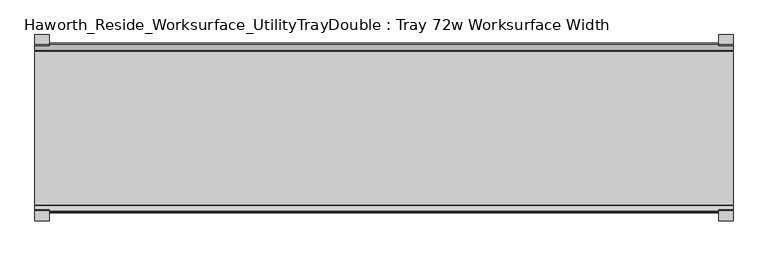
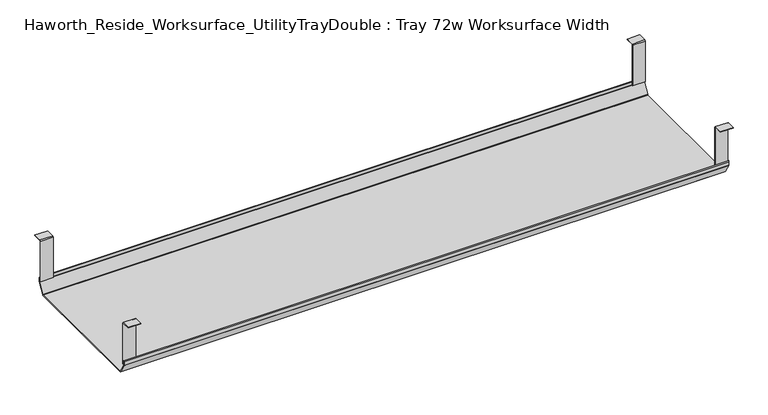
"""IFC4 building model written with IfcOpenShell, lengths in millimetres: furniture geometry, Haworth_Reside_Worksurface_UtilityTrayDouble : Tray 72w Worksurface Width."""

from ifc_helpers import new_model, si_unit, frame, origin, place, context, project, spatial, polyline, outline, extrude, source, transform, mapped, element, save


def haworth_reside_worksurface_utilitytraydouble_tray_72w_19a8be49(model_context):
    return source(origin(), model_context, "Body", "SweptSolid", [
        extrude(outline(polyline([(-721.2228768, 731.8375), (-718.8278791, 729.4425023), (-718.8278791, 621.6649855), (-720.2248778, 621.6649855), (-720.2248778, 729.0734626), (-721.7824239, 730.6310087), (-743.0086797, 730.6310087), (-743.0086797, 731.8375), (-721.2228768, 731.8375)])), frame((946.0991976, 0.0, 0.0), z_axis=(1.0, 0.0, 0.0), x_axis=(0.0, 1.0, 0.0)), (0.0, 0.0, 1.0), 31.8008024),
        extrude(outline(polyline([(-357.7340763, 731.8375), (-335.9482734, 731.8375), (-335.9482734, 730.6310087), (-357.1745292, 730.6310087), (-358.7320753, 729.0734626), (-358.7320753, 621.6649855), (-360.129074, 621.6649855), (-360.129074, 729.4425023), (-357.7340763, 731.8375)])), frame((946.0991976, 0.0, 0.0), z_axis=(1.0, 0.0, 0.0), x_axis=(0.0, 1.0, 0.0)), (0.0, 0.0, 1.0), 31.8008024),
        extrude(outline(polyline([(-721.2228768, 731.8375), (-718.8278791, 729.4425023), (-718.8278791, 621.6649855), (-720.2248778, 621.6649855), (-720.2248778, 729.0734626), (-721.7824239, 730.6310087), (-743.0086797, 730.6310087), (-743.0086797, 731.8375), (-721.2228768, 731.8375)])), frame((-546.1, 0.0, 0.0), z_axis=(1.0, 0.0, 0.0), x_axis=(0.0, 1.0, 0.0)), (0.0, 0.0, 1.0), 31.8008024),
        extrude(outline(polyline([(-357.7340763, 731.8375), (-335.9482734, 731.8375), (-335.9482734, 730.6310087), (-357.1745292, 730.6310087), (-358.7320753, 729.0734626), (-358.7320753, 621.6649855), (-360.129074, 621.6649855), (-360.129074, 729.4425023), (-357.7340763, 731.8375)])), frame((-546.1, 0.0, 0.0), z_axis=(1.0, 0.0, 0.0), x_axis=(0.0, 1.0, 0.0)), (0.0, 0.0, 1.0), 31.8008024),
        extrude(outline(polyline([(-725.025475, 629.0309966), (-722.993477, 631.0629947), (-722.432211, 630.5017287), (-724.231725, 628.7022146), (-724.231725, 620.8042827), (-724.0067745, 619.9647622), (-708.9140802, 593.8234395), (-707.4787101, 592.9947272), (-371.478243, 592.9947272), (-370.0428729, 593.8234395), (-354.9501786, 619.9647622), (-354.7252281, 620.8042827), (-354.7252281, 628.7022146), (-356.5247421, 630.5017287), (-355.9634761, 631.0629947), (-353.9314781, 629.0309966), (-353.9314781, 620.6997828), (-354.2105217, 619.6583856), (-369.5353957, 593.1149156), (-371.1183815, 592.2009772), (-707.691395, 592.2009772), (-709.4951457, 593.2423744), (-724.7464314, 619.6583856), (-725.025475, 620.6997828), (-725.025475, 629.0309966)])), frame((-546.1, 0.0, 0.0), z_axis=(1.0, 0.0, 0.0), x_axis=(0.0, 1.0, 0.0)), (0.0, 0.0, 1.0), 1524.0),
    ])


if __name__ == "__main__":
    model = new_model("IFC4")
    model_context = context("Model", 3, world=origin())
    ifc_project = project(units=[si_unit("LENGTHUNIT", "METRE", prefix="MILLI")], contexts=[model_context])
    site = spatial("IfcSite", under=ifc_project)
    building = spatial("IfcBuilding", under=site)
    placement = place(None, origin())
    haworth_reside_worksurface_utilitytraydouble_tray_72w_shape = haworth_reside_worksurface_utilitytraydouble_tray_72w_19a8be49(model_context)
    element("IfcFurniture", 1, ObjectType="Haworth_Reside_Worksurface_UtilityTrayDouble : Tray 72w Worksurface Width", at=placement, inside=building, context=model_context, shape_type="MappedRepresentation", body=[
        mapped(haworth_reside_worksurface_utilitytraydouble_tray_72w_shape, transform((0.0, 0.0, 0.0), x_axis=(1.0, 0.0, 0.0), y_axis=(0.0, 1.0, 0.0), z_axis=(0.0, 0.0, 1.0))),
    ])
    save(model, "model.ifc")
